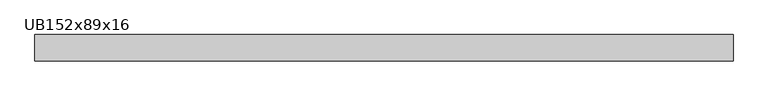
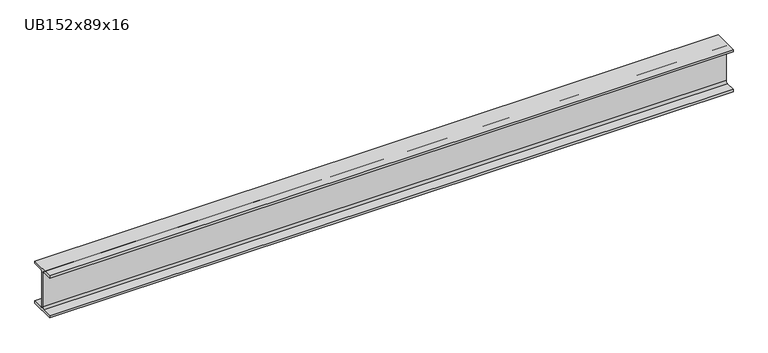
"""IFC4 building model written with IfcOpenShell, lengths in millimetres: beam geometry, UB152x89x16."""

from ifc_helpers import new_model, si_unit, point, frame, frame_2d, origin, place, context, project, spatial, polyline, circle_curve, trimmed, segment, composite_curve, outline, extrude, source, transform, mapped, element, save


def ub152x89x16_53a0679d(model_context):
    return source(origin(), model_context, "Body", "SweptSolid", [
        extrude(outline(composite_curve([segment(polyline([(44.35, -68.5), (44.35, -76.2), (-44.35, -76.2), (-44.35, -68.5), (-9.85, -68.5)]), True, "CONTINUOUS"), segment(trimmed(circle_curve(frame_2d((-9.85, -60.9)), 7.6), [point((-9.85, -68.5))], [point((-2.25, -60.9))], True, "CARTESIAN"), True, "CONTINUOUS"), segment(polyline([(-2.25, -60.9), (-2.25, 60.9)]), True, "CONTINUOUS"), segment(trimmed(circle_curve(frame_2d((-9.85, 60.9)), 7.6), [point((-2.25, 60.9))], [point((-9.85, 68.5))], True, "CARTESIAN"), True, "CONTINUOUS"), segment(polyline([(-9.85, 68.5), (-44.35, 68.5), (-44.35, 76.2), (44.35, 76.2), (44.35, 68.5), (9.85, 68.5)]), True, "CONTINUOUS"), segment(trimmed(circle_curve(frame_2d((9.85, 60.9)), 7.6), [point((9.85, 68.5))], [point((2.25, 60.9))], True, "CARTESIAN"), True, "CONTINUOUS"), segment(polyline([(2.25, 60.9), (2.25, -60.9)]), True, "CONTINUOUS"), segment(trimmed(circle_curve(frame_2d((9.85, -60.9)), 7.6), [point((2.25, -60.9))], [point((9.85, -68.5))], True, "CARTESIAN"), True, "CONTINUOUS"), segment(polyline([(9.85, -68.5), (44.35, -68.5)]), True, "CONTINUOUS")], self_intersect=False)), frame((-1152.65, 0.0, 0.0), z_axis=(1.0, 0.0, 0.0), x_axis=(0.0, 1.0, 0.0)), (0.0, 0.0, 1.0), 2352.6),
    ])


if __name__ == "__main__":
    model = new_model("IFC4")
    model_context = context("Model", 3, world=origin())
    ifc_project = project(units=[si_unit("LENGTHUNIT", "METRE", prefix="MILLI")], contexts=[model_context])
    site = spatial("IfcSite", under=ifc_project)
    building = spatial("IfcBuilding", under=site)
    placement = place(None, origin())
    ub152x89x16_shape = ub152x89x16_53a0679d(model_context)
    element("IfcBeam", 1, ObjectType="UB152x89x16", at=placement, inside=building, context=model_context, shape_type="MappedRepresentation", body=[
        mapped(ub152x89x16_shape, transform((0.0, 0.0, 0.0), x_axis=(1.0, 0.0, 0.0), y_axis=(0.0, 1.0, 0.0), z_axis=(0.0, 0.0, 1.0))),
    ])
    save(model, "model.ifc")
